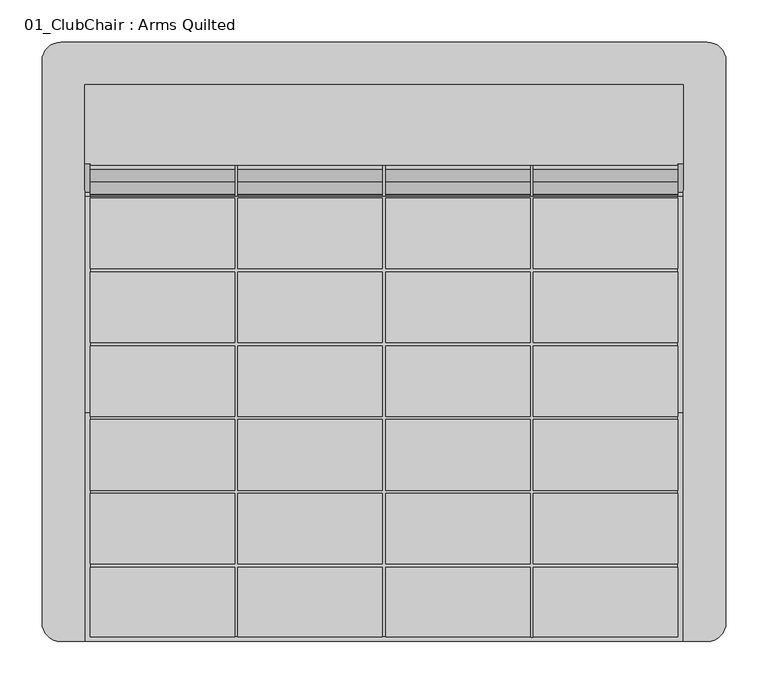
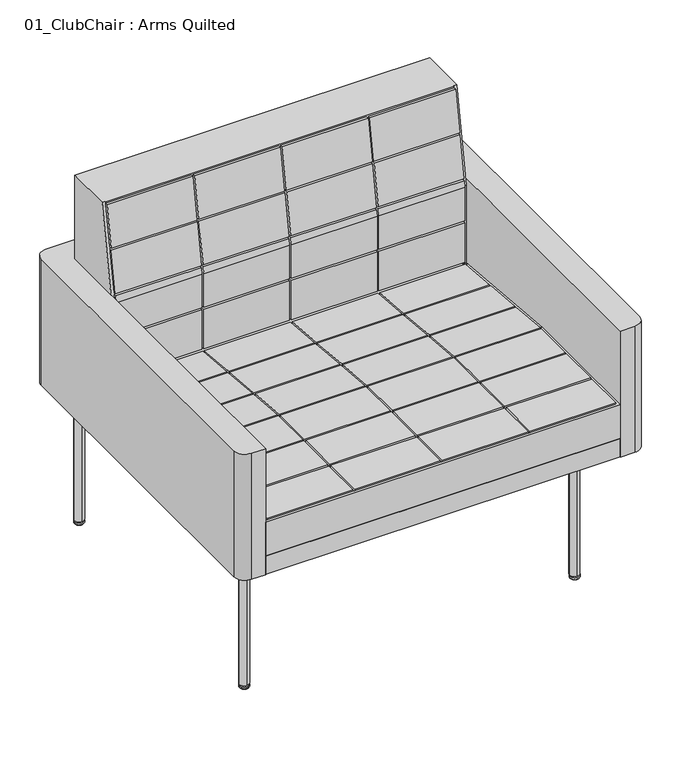
"""IFC4 building model written with IfcOpenShell, lengths in millimetres: furniture geometry, 01_ClubChair : Arms Quilted."""

from ifc_helpers import new_model, si_unit, point, frame, frame_2d, origin, place, context, project, spatial, polyline, circle_curve, ellipse_curve, trimmed, segment, composite_curve, outline, extrude, faceted_brep, source, transform, mapped, element, save
from ifc_brep_helpers import plane_surface, revolved_surface, advanced_brep


def furniture_01_clubchair_arms_quilted_b9940589(model_context):
    return source(origin(), model_context, "Body", "SolidModel", [
        faceted_brep([(354.8683301, 172.790312, 357.1875), (354.8683301, 305.047338, 357.1875), (354.8683301, 305.047338, 761.4646402), (354.8683301, 210.7940187, 761.4646402), (354.8683301, 177.552038, 569.5185218), (354.8683301, 177.552038, 405.4116807), (354.8683301, 172.790312, 405.8269736), (-354.8683301, 305.047338, 761.4646402), (-354.8683301, 305.047338, 357.1875), (-354.8683301, 172.790312, 357.1875), (-354.8683301, 172.790312, 405.8269736), (-354.8683301, 177.552038, 405.4116807), (-354.8683301, 177.552038, 569.5185218), (-354.8683301, 210.7940187, 761.4646402), (1.905, 172.790312, 570.0407405), (173.355, 172.790312, 570.0407405), (173.355, 174.941666, 582.9299879), (1.905, 174.941666, 582.9299879), (-348.615, 190.2039855, 674.3699879), (-177.165, 190.2039855, 674.3699879), (-177.165, 204.1944449, 758.1899879), (-348.615, 204.1944449, 758.1899879), (-1.905, 204.1944449, 758.1899879), (-173.355, 204.1944449, 758.1899879), (-173.355, 190.2039855, 674.3699879), (-1.905, 190.2039855, 674.3699879), (173.355, 204.1944449, 758.1899879), (1.905, 204.1944449, 758.1899879), (1.905, 190.2039855, 674.3699879), (173.355, 190.2039855, 674.3699879), (348.615, 204.1944449, 758.1899879), (177.165, 204.1944449, 758.1899879), (177.165, 190.2039855, 674.3699879), (348.615, 190.2039855, 674.3699879), (-348.615, 175.577596, 586.7399879), (-177.165, 175.577596, 586.7399879), (-177.165, 189.5680555, 670.5599879), (-348.615, 189.5680555, 670.5599879), (-1.905, 189.5680555, 670.5599879), (-173.355, 189.5680555, 670.5599879), (-173.355, 175.577596, 586.7399879), (-1.905, 175.577596, 586.7399879), (173.355, 189.5680555, 670.5599879), (1.905, 189.5680555, 670.5599879), (1.905, 175.577596, 586.7399879), (173.355, 175.577596, 586.7399879), (348.615, 189.5680555, 670.5599879), (177.165, 189.5680555, 670.5599879), (177.165, 175.577596, 586.7399879), (348.615, 175.577596, 586.7399879), (-177.165, 174.941666, 582.9299879), (-348.615, 174.941666, 582.9299879), (-348.615, 172.790312, 570.0407405), (-177.165, 172.790312, 570.0407405), (348.615, 174.941666, 582.9299879), (177.165, 174.941666, 582.9299879), (177.165, 172.790312, 570.0407405), (348.615, 172.790312, 570.0407405), (-173.355, 172.790312, 570.0407405), (-1.905, 172.790312, 570.0407405), (-1.905, 174.941666, 582.9299879), (-173.355, 174.941666, 582.9299879), (1.905, 172.790312, 499.1099879), (173.355, 172.790312, 499.1099879), (-173.355, 172.790312, 499.1099879), (-1.905, 172.790312, 499.1099879), (348.615, 172.790312, 405.8269736), (348.615, 172.790312, 404.5204), (-348.615, 172.790312, 404.5204), (-348.615, 172.790312, 405.8269736), (-348.615, 172.790312, 499.1099879), (-177.165, 172.790312, 499.1099879), (177.165, 172.790312, 499.1099879), (348.615, 172.790312, 499.1099879), (-348.615, 172.790312, 411.4799879), (-177.165, 172.790312, 411.4799879), (-177.165, 172.790312, 495.2999879), (-348.615, 172.790312, 495.2999879), (-1.905, 172.790312, 495.2999879), (-173.355, 172.790312, 495.2999879), (-173.355, 172.790312, 411.4799879), (-1.905, 172.790312, 411.4799879), (173.355, 172.790312, 495.2999879), (1.905, 172.790312, 495.2999879), (1.905, 172.790312, 411.4799879), (173.355, 172.790312, 411.4799879), (348.615, 172.790312, 495.2999879), (177.165, 172.790312, 495.2999879), (177.165, 172.790312, 411.4799879), (348.615, 172.790312, 411.4799879), (-348.615, 210.7940187, 761.4646402), (-348.615, 209.797338, 761.4646402), (348.615, 209.797338, 761.4646402), (348.615, 210.7940187, 761.4646402), (-177.165, 209.797338, 674.3699879), (-348.615, 209.797338, 674.3699879), (-348.615, 209.797338, 670.5599879), (-177.165, 209.797338, 670.5599879), (-177.165, 209.797338, 586.7399879), (-348.615, 209.797338, 586.7399879), (-348.615, 209.797338, 582.9299879), (-177.165, 209.797338, 582.9299879), (-177.165, 209.797338, 499.1099879), (-348.615, 209.797338, 499.1099879), (-348.615, 209.797338, 495.2999879), (-177.165, 209.797338, 495.2999879), (-177.165, 209.797338, 411.4799879), (-348.615, 209.797338, 411.4799879), (-348.615, 209.797338, 404.5204), (348.615, 209.797338, 404.5204), (348.615, 209.797338, 411.4799879), (177.165, 209.797338, 411.4799879), (177.165, 209.797338, 495.2999879), (348.615, 209.797338, 495.2999879), (348.615, 209.797338, 499.1099879), (177.165, 209.797338, 499.1099879), (177.165, 209.797338, 582.9299879), (348.615, 209.797338, 582.9299879), (348.615, 209.797338, 586.7399879), (177.165, 209.797338, 586.7399879), (177.165, 209.797338, 670.5599879), (348.615, 209.797338, 670.5599879), (348.615, 209.797338, 674.3699879), (177.165, 209.797338, 674.3699879), (177.165, 209.797338, 758.1899879), (348.615, 209.797338, 758.1899879), (-348.615, 209.797338, 758.1899879), (-177.165, 209.797338, 758.1899879), (-173.355, 209.797338, 758.1899879), (-1.905, 209.797338, 758.1899879), (-1.905, 209.797338, 674.3699879), (-173.355, 209.797338, 674.3699879), (-173.355, 209.797338, 670.5599879), (-1.905, 209.797338, 670.5599879), (-1.905, 209.797338, 586.7399879), (-173.355, 209.797338, 586.7399879), (1.905, 209.797338, 670.5599879), (173.355, 209.797338, 670.5599879), (173.355, 209.797338, 586.7399879), (1.905, 209.797338, 586.7399879), (-173.355, 209.797338, 582.9299879), (-1.905, 209.797338, 582.9299879), (-1.905, 209.797338, 499.1099879), (-173.355, 209.797338, 499.1099879), (1.905, 209.797338, 582.9299879), (173.355, 209.797338, 582.9299879), (173.355, 209.797338, 499.1099879), (1.905, 209.797338, 499.1099879), (-173.355, 209.797338, 495.2999879), (-1.905, 209.797338, 495.2999879), (-1.905, 209.797338, 411.4799879), (-173.355, 209.797338, 411.4799879), (1.905, 209.797338, 495.2999879), (173.355, 209.797338, 495.2999879), (173.355, 209.797338, 411.4799879), (1.905, 209.797338, 411.4799879), (1.905, 209.797338, 674.3699879), (1.905, 209.797338, 758.1899879), (173.355, 209.797338, 758.1899879), (173.355, 209.797338, 674.3699879), (-348.615, 195.7106256, 674.3699879), (348.615, 195.7106256, 674.3699879), (-348.615, 180.534519, 586.7399879), (-348.615, 179.8746882, 582.9299879), (-348.615, 195.0507949, 670.5599879), (348.615, 195.0507949, 670.5599879), (348.615, 179.8746882, 582.9299879), (348.615, 180.534519, 586.7399879), (-348.615, 177.552038, 499.1099879), (-348.615, 177.552038, 495.2999879), (348.615, 177.552038, 495.2999879), (348.615, 177.552038, 499.1099879), (-348.615, 177.552038, 411.4799879), (-348.615, 177.552038, 405.4116807), (348.615, 177.552038, 405.4116807), (348.615, 177.552038, 411.4799879), (-348.615, 177.552038, 569.5185218), (348.615, 177.552038, 569.5185218)], [[[0, 1, 2, 3, 4, 5, 6]], [[7, 8, 9, 10, 11, 12, 13]], [[14, 15, 16, 17]], [[18, 19, 20, 21]], [[22, 23, 24, 25]], [[26, 27, 28, 29]], [[30, 31, 32, 33]], [[34, 35, 36, 37]], [[38, 39, 40, 41]], [[42, 43, 44, 45]], [[46, 47, 48, 49]], [[50, 51, 52, 53]], [[54, 55, 56, 57]], [[58, 59, 60, 61]], [[15, 14, 62, 63]], [[59, 58, 64, 65]], [[9, 0, 6, 66, 67, 68, 69, 10]], [[70, 71, 53, 52]], [[72, 73, 57, 56]], [[74, 75, 76, 77]], [[78, 79, 80, 81]], [[82, 83, 84, 85]], [[86, 87, 88, 89]], [[1, 0, 9, 8]], [[2, 1, 8, 7]], [[2, 7, 13, 90, 91, 92, 93, 3]], [[94, 95, 96, 97, 98, 99, 100, 101, 102, 103, 104, 105, 106, 107, 108, 109, 110, 111, 112, 113, 114, 115, 116, 117, 118, 119, 120, 121, 122, 123, 124, 125, 92, 91, 126, 127], [128, 129, 130, 131], [132, 133, 134, 135], [136, 137, 138, 139], [140, 141, 142, 143], [144, 145, 146, 147], [148, 149, 150, 151], [152, 153, 154, 155], [156, 157, 158, 159]], [[95, 94, 19, 18, 160]], [[127, 126, 21, 20]], [[94, 127, 20, 19]], [[129, 128, 23, 22]], [[131, 130, 25, 24]], [[128, 131, 24, 23]], [[158, 157, 27, 26]], [[159, 158, 26, 29]], [[156, 159, 29, 28]], [[125, 124, 31, 30]], [[123, 122, 161, 33, 32]], [[124, 123, 32, 31]], [[99, 98, 35, 34, 162]], [[100, 99, 162, 163]], [[97, 96, 164, 37, 36]], [[98, 97, 36, 35]], [[133, 132, 39, 38]], [[134, 133, 38, 41]], [[135, 134, 41, 40]], [[132, 135, 40, 39]], [[137, 136, 43, 42]], [[138, 137, 42, 45]], [[139, 138, 45, 44]], [[136, 139, 44, 43]], [[121, 120, 47, 46, 165]], [[118, 117, 166, 167]], [[119, 118, 167, 49, 48]], [[120, 119, 48, 47]], [[103, 102, 71, 70, 168]], [[104, 103, 168, 169]], [[101, 100, 163, 51, 50]], [[102, 101, 50, 53, 71]], [[141, 140, 61, 60]], [[142, 141, 60, 59, 65]], [[143, 142, 65, 64]], [[140, 143, 64, 58, 61]], [[145, 144, 17, 16]], [[146, 145, 16, 15, 63]], [[147, 146, 63, 62]], [[144, 147, 62, 14, 17]], [[117, 116, 55, 54, 166]], [[114, 113, 170, 171]], [[115, 114, 171, 73, 72]], [[116, 115, 72, 56, 55]], [[107, 106, 75, 74, 172]], [[108, 107, 172, 173, 69, 68]], [[105, 104, 169, 77, 76]], [[106, 105, 76, 75]], [[149, 148, 79, 78]], [[150, 149, 78, 81]], [[151, 150, 81, 80]], [[148, 151, 80, 79]], [[153, 152, 83, 82]], [[154, 153, 82, 85]], [[155, 154, 85, 84]], [[152, 155, 84, 83]], [[113, 112, 87, 86, 170]], [[110, 109, 67, 66, 174, 175]], [[111, 110, 175, 89, 88]], [[112, 111, 88, 87]], [[109, 108, 68, 67]], [[96, 95, 160, 164]], [[122, 121, 165, 161]], [[130, 129, 22, 25]], [[157, 156, 28, 27]], [[176, 168, 70, 52, 51, 163]], [[169, 172, 74, 77]], [[164, 162, 34, 37]], [[90, 160, 18, 21, 126, 91]], [[162, 164, 160, 90, 13, 12, 176, 163]], [[173, 11, 10, 69]], [[168, 176, 12, 11, 173, 172, 169]], [[177, 166, 54, 57, 73, 171]], [[175, 170, 86, 89]], [[167, 165, 46, 49]], [[161, 93, 92, 125, 30, 33]], [[166, 177, 4, 3, 93, 161, 165, 167]], [[177, 171, 170, 175, 174, 5, 4]], [[5, 174, 66, 6]]]),
        faceted_brep([(354.8683301, -355.847338, 357.1875), (354.8683301, 172.790312, 357.1875), (354.8683301, 172.790312, 405.8269736), (354.8683301, -84.5466544, 428.2705643), (354.8683301, -355.847338, 428.2705643), (-354.8683301, 172.790312, 357.1875), (-354.8683301, -355.847338, 357.1875), (-354.8683301, -355.847338, 428.2705643), (-354.8683301, -84.5466544, 428.2705643), (-354.8683301, 172.790312, 405.8269736), (-348.615, 172.790312, 405.8269736), (-348.615, 172.790312, 395.5542), (348.615, 172.790312, 395.5542), (348.615, 172.790312, 405.8269736), (-177.165, 86.747662, 415.9469708), (-177.165, 170.567662, 408.6136794), (-348.615, 170.567662, 408.6136794), (-348.615, 86.747662, 415.9469708), (-177.165, -0.882338, 423.6135936), (-177.165, 82.937662, 416.2803022), (-348.615, 82.937662, 416.2803022), (-348.615, -0.882338, 423.6135936), (-1.905, 82.937662, 416.2803022), (-173.355, 82.937662, 416.2803022), (-173.355, -0.882338, 423.6135936), (-1.905, -0.882338, 423.6135936), (173.355, 82.937662, 416.2803022), (1.905, 82.937662, 416.2803022), (1.905, -0.882338, 423.6135936), (173.355, -0.882338, 423.6135936), (348.615, 82.937662, 416.2803022), (177.165, 82.937662, 416.2803022), (177.165, -0.882338, 423.6135936), (348.615, -0.882338, 423.6135936), (-177.165, -88.512338, 431.2802164), (-177.165, -4.692338, 423.946925), (-348.615, -4.692338, 423.946925), (-348.615, -88.512338, 431.2802164), (-1.905, -4.692338, 423.946925), (-173.355, -4.692338, 423.946925), (-173.355, -88.512338, 431.2802164), (-1.905, -88.512338, 431.2802164), (173.355, -4.692338, 423.946925), (1.905, -4.692338, 423.946925), (1.905, -88.512338, 431.2802164), (173.355, -88.512338, 431.2802164), (348.615, -4.692338, 423.946925), (177.165, -4.692338, 423.946925), (177.165, -88.512338, 431.2802164), (348.615, -88.512338, 431.2802164), (-1.905, 170.567662, 408.6136794), (-173.355, 170.567662, 408.6136794), (-173.355, 86.747662, 415.9469708), (-1.905, 86.747662, 415.9469708), (173.355, 170.567662, 408.6136794), (1.905, 170.567662, 408.6136794), (1.905, 86.747662, 415.9469708), (173.355, 86.747662, 415.9469708), (348.615, 170.567662, 408.6136794), (177.165, 170.567662, 408.6136794), (177.165, 86.747662, 415.9469708), (348.615, 86.747662, 415.9469708), (-177.165, -176.142338, 431.3641497), (-177.165, -92.322338, 431.3641497), (-348.615, -92.322338, 431.3641497), (-348.615, -176.142338, 431.3641497), (-1.905, -92.322338, 431.3641497), (-173.355, -92.322338, 431.3641497), (-173.355, -176.142338, 431.3641497), (-1.905, -176.142338, 431.3641497), (173.355, -92.322338, 431.3641497), (1.905, -92.322338, 431.3641497), (1.905, -176.142338, 431.3641497), (173.355, -176.142338, 431.3641497), (348.615, -92.322338, 431.3641497), (177.165, -92.322338, 431.3641497), (177.165, -176.142338, 431.3641497), (348.615, -176.142338, 431.3641497), (-177.165, -263.772338, 431.3641497), (-177.165, -179.952338, 431.3641497), (-348.615, -179.952338, 431.3641497), (-348.615, -263.772338, 431.3641497), (-1.905, -179.952338, 431.3641497), (-173.355, -179.952338, 431.3641497), (-173.355, -263.772338, 431.3641497), (-1.905, -263.772338, 431.3641497), (173.355, -179.952338, 431.3641497), (1.905, -179.952338, 431.3641497), (1.905, -263.772338, 431.3641497), (173.355, -263.772338, 431.3641497), (348.615, -179.952338, 431.3641497), (177.165, -179.952338, 431.3641497), (177.165, -263.772338, 431.3641497), (348.615, -263.772338, 431.3641497), (-177.165, -350.449838, 431.3641497), (-177.165, -267.582338, 431.3641497), (-348.615, -267.582338, 431.3641497), (-348.615, -350.449838, 431.3641497), (-1.905, -267.582338, 431.3641497), (-173.355, -267.582338, 431.3641497), (-173.355, -350.449838, 431.3641497), (-1.905, -350.449838, 431.3641497), (173.355, -267.582338, 431.3641497), (1.905, -267.582338, 431.3641497), (1.905, -350.449838, 431.3641497), (173.355, -350.449838, 431.3641497), (348.615, -267.582338, 431.3641497), (177.165, -267.582338, 431.3641497), (177.165, -350.449838, 431.3641497), (348.615, -350.449838, 431.3641497), (-177.165, 170.567662, 395.5542), (-177.165, 86.747662, 395.5542), (-348.615, 86.747662, 395.5542), (-348.615, 82.937662, 395.5542), (-177.165, 82.937662, 395.5542), (-177.165, -0.882338, 395.5542), (-348.615, -0.882338, 395.5542), (-348.615, -4.692338, 395.5542), (-177.165, -4.692338, 395.5542), (-177.165, -88.512338, 395.5542), (-348.615, -88.512338, 395.5542), (-348.615, -92.322338, 395.5542), (-177.165, -92.322338, 395.5542), (-177.165, -176.142338, 395.5542), (-348.615, -176.142338, 395.5542), (-348.615, -179.952338, 395.5542), (-177.165, -179.952338, 395.5542), (-177.165, -263.772338, 395.5542), (-348.615, -263.772338, 395.5542), (-348.615, -267.582338, 395.5542), (-177.165, -267.582338, 395.5542), (-177.165, -350.449838, 395.5542), (-173.355, -350.449838, 395.5542), (-173.355, -267.582338, 395.5542), (-1.905, -267.582338, 395.5542), (-1.905, -350.449838, 395.5542), (1.905, -350.449838, 395.5542), (1.905, -267.582338, 395.5542), (173.355, -267.582338, 395.5542), (173.355, -351.402338, 395.5542), (177.165, -351.402338, 395.5542), (177.165, -267.582338, 395.5542), (348.615, -267.582338, 395.5542), (348.615, -263.772338, 395.5542), (177.165, -263.772338, 395.5542), (177.165, -179.952338, 395.5542), (348.615, -179.952338, 395.5542), (348.615, -176.142338, 395.5542), (177.165, -176.142338, 395.5542), (177.165, -92.322338, 395.5542), (348.615, -92.322338, 395.5542), (348.615, -88.512338, 395.5542), (177.165, -88.512338, 395.5542), (177.165, -4.692338, 395.5542), (348.615, -4.692338, 395.5542), (348.615, -0.882338, 395.5542), (177.165, -0.882338, 395.5542), (177.165, 82.937662, 395.5542), (348.615, 82.937662, 395.5542), (348.615, 86.747662, 395.5542), (177.165, 86.747662, 395.5542), (177.165, 170.567662, 395.5542), (348.615, 170.567662, 395.5542), (-348.615, 170.567662, 395.5542), (-173.355, 170.567662, 395.5542), (-1.905, 170.567662, 395.5542), (-1.905, 86.747662, 395.5542), (-173.355, 86.747662, 395.5542), (1.905, 170.567662, 395.5542), (173.355, 170.567662, 395.5542), (173.355, 86.747662, 395.5542), (1.905, 86.747662, 395.5542), (-173.355, 82.937662, 395.5542), (-1.905, 82.937662, 395.5542), (-1.905, -0.882338, 395.5542), (-173.355, -0.882338, 395.5542), (1.905, 82.937662, 395.5542), (173.355, 82.937662, 395.5542), (173.355, -0.882338, 395.5542), (1.905, -0.882338, 395.5542), (-173.355, -4.692338, 395.5542), (-1.905, -4.692338, 395.5542), (-1.905, -88.512338, 395.5542), (-173.355, -88.512338, 395.5542), (1.905, -4.692338, 395.5542), (173.355, -4.692338, 395.5542), (173.355, -88.512338, 395.5542), (1.905, -88.512338, 395.5542), (-173.355, -92.322338, 395.5542), (-1.905, -92.322338, 395.5542), (-1.905, -176.142338, 395.5542), (-173.355, -176.142338, 395.5542), (1.905, -92.322338, 395.5542), (173.355, -92.322338, 395.5542), (173.355, -176.142338, 395.5542), (1.905, -176.142338, 395.5542), (-173.355, -179.952338, 395.5542), (-1.905, -179.952338, 395.5542), (-1.905, -263.772338, 395.5542), (-173.355, -263.772338, 395.5542), (1.905, -179.952338, 395.5542), (173.355, -179.952338, 395.5542), (173.355, -263.772338, 395.5542), (1.905, -263.772338, 395.5542), (-348.615, 86.747662, 413.3311657), (-348.615, 82.937662, 413.663454), (-348.615, 170.567662, 406.0208216), (348.615, 170.567662, 406.0208216), (348.615, 86.747662, 413.3311657), (-348.615, -0.882338, 420.9737981), (-348.615, -4.692338, 421.3060865), (348.615, 82.937662, 413.663454), (348.615, -0.882338, 420.9737981), (-348.615, -88.512338, 428.2705643), (-348.615, -92.322338, 428.2705643), (348.615, -4.692338, 421.3060865), (348.615, -88.512338, 428.2705643), (-348.615, -176.142338, 428.2705643), (-348.615, -179.952338, 428.2705643), (348.615, -92.322338, 428.2705643), (348.615, -176.142338, 428.2705643), (-348.615, -263.772338, 428.2705643), (-348.615, -267.582338, 428.2705643), (348.615, -179.952338, 428.2705643), (348.615, -263.772338, 428.2705643), (-177.165, -350.449838, 428.2705643), (-173.355, -350.449838, 428.2705643), (-1.905, -350.449838, 428.2705643), (1.905, -350.449838, 428.2705643), (173.355, -350.449838, 428.2705643), (173.355, -351.402338, 428.2705643), (177.165, -351.402338, 428.2705643), (348.615, -267.582338, 428.2705643), (177.165, -350.449838, 428.2705643), (-348.615, -350.449838, 428.2705643), (-348.615, -84.5466544, 428.2705643), (348.615, -84.5466544, 428.2705643), (348.615, -350.449838, 428.2705643)], [[[0, 1, 2, 3, 4]], [[5, 6, 7, 8, 9]], [[6, 0, 4, 7]], [[1, 0, 6, 5]], [[1, 5, 9, 10, 11, 12, 13, 2]], [[14, 15, 16, 17]], [[18, 19, 20, 21]], [[22, 23, 24, 25]], [[26, 27, 28, 29]], [[30, 31, 32, 33]], [[34, 35, 36, 37]], [[38, 39, 40, 41]], [[42, 43, 44, 45]], [[46, 47, 48, 49]], [[50, 51, 52, 53]], [[54, 55, 56, 57]], [[58, 59, 60, 61]], [[62, 63, 64, 65]], [[66, 67, 68, 69]], [[70, 71, 72, 73]], [[74, 75, 76, 77]], [[78, 79, 80, 81]], [[82, 83, 84, 85]], [[86, 87, 88, 89]], [[90, 91, 92, 93]], [[94, 95, 96, 97]], [[98, 99, 100, 101]], [[102, 103, 104, 105]], [[106, 107, 108, 109]], [[110, 111, 112, 113, 114, 115, 116, 117, 118, 119, 120, 121, 122, 123, 124, 125, 126, 127, 128, 129, 130, 131, 132, 133, 134, 135, 136, 137, 138, 139, 140, 141, 142, 143, 144, 145, 146, 147, 148, 149, 150, 151, 152, 153, 154, 155, 156, 157, 158, 159, 160, 161, 162, 12, 11, 163], [164, 165, 166, 167], [168, 169, 170, 171], [172, 173, 174, 175], [176, 177, 178, 179], [180, 181, 182, 183], [184, 185, 186, 187], [188, 189, 190, 191], [192, 193, 194, 195], [196, 197, 198, 199], [200, 201, 202, 203]], [[111, 110, 15, 14]], [[112, 111, 14, 17, 204]], [[113, 112, 204, 205]], [[110, 163, 206, 16, 15]], [[165, 164, 51, 50]], [[166, 165, 50, 53]], [[167, 166, 53, 52]], [[164, 167, 52, 51]], [[169, 168, 55, 54]], [[170, 169, 54, 57]], [[171, 170, 57, 56]], [[168, 171, 56, 55]], [[162, 161, 59, 58, 207]], [[160, 159, 208, 61, 60]], [[161, 160, 60, 59]], [[115, 114, 19, 18]], [[116, 115, 18, 21, 209]], [[117, 116, 209, 210]], [[114, 113, 205, 20, 19]], [[173, 172, 23, 22]], [[174, 173, 22, 25]], [[175, 174, 25, 24]], [[172, 175, 24, 23]], [[177, 176, 27, 26]], [[178, 177, 26, 29]], [[179, 178, 29, 28]], [[176, 179, 28, 27]], [[158, 157, 31, 30, 211]], [[156, 155, 212, 33, 32]], [[157, 156, 32, 31]], [[119, 118, 35, 34]], [[120, 119, 34, 37, 213]], [[121, 120, 213, 214]], [[118, 117, 210, 36, 35]], [[181, 180, 39, 38]], [[182, 181, 38, 41]], [[183, 182, 41, 40]], [[180, 183, 40, 39]], [[185, 184, 43, 42]], [[186, 185, 42, 45]], [[187, 186, 45, 44]], [[184, 187, 44, 43]], [[154, 153, 47, 46, 215]], [[152, 151, 216, 49, 48]], [[153, 152, 48, 47]], [[123, 122, 63, 62]], [[124, 123, 62, 65, 217]], [[125, 124, 217, 218]], [[122, 121, 214, 64, 63]], [[189, 188, 67, 66]], [[190, 189, 66, 69]], [[191, 190, 69, 68]], [[188, 191, 68, 67]], [[193, 192, 71, 70]], [[194, 193, 70, 73]], [[195, 194, 73, 72]], [[192, 195, 72, 71]], [[150, 149, 75, 74, 219]], [[148, 147, 220, 77, 76]], [[149, 148, 76, 75]], [[127, 126, 79, 78]], [[128, 127, 78, 81, 221]], [[129, 128, 221, 222]], [[126, 125, 218, 80, 79]], [[197, 196, 83, 82]], [[198, 197, 82, 85]], [[199, 198, 85, 84]], [[196, 199, 84, 83]], [[201, 200, 87, 86]], [[202, 201, 86, 89]], [[203, 202, 89, 88]], [[200, 203, 88, 87]], [[146, 145, 91, 90, 223]], [[144, 143, 224, 93, 92]], [[145, 144, 92, 91]], [[131, 130, 95, 94, 225]], [[132, 131, 225, 226]], [[130, 129, 222, 96, 95]], [[134, 133, 99, 98]], [[135, 134, 98, 101, 227]], [[136, 135, 227, 228]], [[133, 132, 226, 100, 99]], [[138, 137, 103, 102]], [[139, 138, 102, 105, 229, 230]], [[140, 139, 230, 231]], [[137, 136, 228, 104, 103]], [[142, 141, 107, 106, 232]], [[141, 140, 231, 233, 108, 107]], [[163, 11, 10, 206]], [[143, 142, 232, 224]], [[147, 146, 223, 220]], [[151, 150, 219, 216]], [[155, 154, 215, 212]], [[159, 158, 211, 208]], [[96, 222, 234, 97]], [[235, 213, 37, 36, 210]], [[206, 204, 17, 16]], [[205, 209, 21, 20]], [[214, 217, 65, 64]], [[218, 221, 81, 80]], [[213, 235, 8, 7, 4, 3, 236, 216, 219, 220, 223, 224, 232, 237, 233, 231, 230, 229, 228, 227, 226, 225, 234, 222, 221, 218, 217, 214]], [[204, 206, 10, 9, 8, 235, 210, 209, 205]], [[232, 106, 109, 237]], [[216, 236, 215, 46, 49]], [[220, 219, 74, 77]], [[224, 223, 90, 93]], [[212, 211, 30, 33]], [[208, 207, 58, 61]], [[215, 236, 3, 2, 13, 207, 208, 211, 212]], [[233, 237, 109, 108]], [[228, 229, 105, 104]], [[226, 227, 101, 100]], [[234, 225, 94, 97]], [[12, 162, 207, 13]]]),
        advanced_brep(
        [(-326.9326911, -239.6951247, 0.0), (-334.4990571, -239.6951247, 0.0), (-330.7158741, -239.6951247, 0.0), (-321.1908741, -239.6951247, 3.1750001), (-340.2408741, -239.6951247, 3.1750001), (-321.0604279, -239.6951247, 6.4931848), (-340.3713203, -239.6951247, 6.4931848), (-326.5659995, -239.6951247, 9.5049434), (-334.8657488, -239.6951247, 9.5049434), (-330.7158741, -239.6951247, 9.5049435)],
        [
            (0, 1, circle_curve(frame((-330.7158741, -239.6951247, 0.0), z_axis=(0.0, 0.0, -1.0), x_axis=(-1.0, 0.0, 0.0)), 3.783183)),
            (1, 2),
            (2, 0),
            (1, 0, circle_curve(frame((-330.7158741, -239.6951247, 0.0), z_axis=(0.0, 0.0, -1.0), x_axis=(-1.0, 0.0, 0.0)), 3.783183)),
            (3, 4, circle_curve(frame((-330.7158741, -239.6951247, 3.1750001), z_axis=(0.0, 0.0, -1.0), x_axis=(-1.0, 0.0, 0.0)), 9.525)),
            (4, 1, circle_curve(frame((-334.4990571, -239.6951247, 6.7793838), z_axis=(0.0, -1.0, 0.0), x_axis=(-1.0, 0.0, 0.0)), 6.7793838)),
            (0, 3, circle_curve(frame((-326.9326911, -239.6951247, 6.7793838), z_axis=(0.0, -1.0, 0.0), x_axis=(1.0, 0.0, 0.0)), 6.7793838)),
            (4, 3, circle_curve(frame((-330.7158741, -239.6951247, 3.1750001), z_axis=(0.0, 0.0, -1.0), x_axis=(-1.0, 0.0, 0.0)), 9.525)),
            (5, 6, circle_curve(frame((-330.7158741, -239.6951247, 6.4931848), z_axis=(0.0, 0.0, -1.0), x_axis=(-1.0, 0.0, 0.0)), 9.6554462)),
            (6, 4),
            (3, 5),
            (6, 5, circle_curve(frame((-330.7158741, -239.6951247, 6.4931848), z_axis=(0.0, 0.0, -1.0), x_axis=(-1.0, 0.0, 0.0)), 9.6554462)),
            (7, 8, circle_curve(frame((-330.7158741, -239.6951247, 9.5049434), z_axis=(0.0, 0.0, -1.0), x_axis=(-1.0, 0.0, 0.0)), 4.1498747)),
            (8, 6, circle_curve(frame((-334.8657488, -239.6951247, 2.9669016), z_axis=(0.0, -1.0, 0.0), x_axis=(-1.0, 0.0, 0.0)), 6.5380418)),
            (5, 7, circle_curve(frame((-326.5659995, -239.6951247, 2.9669016), z_axis=(0.0, -1.0, 0.0), x_axis=(1.0, 0.0, 0.0)), 6.5380418)),
            (8, 7, circle_curve(frame((-330.7158741, -239.6951247, 9.5049434), z_axis=(0.0, 0.0, -1.0), x_axis=(-1.0, 0.0, 0.0)), 4.1498747)),
            (9, 8),
            (7, 9),
        ],
        [
            plane_surface(frame((-330.7158741, -239.6951247, 0.0), z_axis=(0.0, 0.0, -1.0), x_axis=(-1.0, 0.0, 0.0))),
            revolved_surface(trimmed(ellipse_curve(frame((-334.4990571, -239.6951247, 6.7793838), z_axis=(0.0, 1.0, 0.0), x_axis=(-1.0, 0.0, 0.0)), 6.7793838, 6.7793838), [point((-334.4990571, -239.6951247, 0.0))], [point((-340.2408741, -239.6951247, 3.1750001))], True, "CARTESIAN"), (-330.7158741, -239.6951247, 2.4865786), (0.0, 0.0, 1.0)),
            revolved_surface(polyline([(-340.2408741, -239.6951247, 3.1750001), (-340.3713203, -239.6951247, 6.4931848)]), (-330.7158741, -239.6951247, 2.4865786), (0.0, 0.0, 1.0)),
            revolved_surface(trimmed(ellipse_curve(frame((-334.8657488, -239.6951247, 2.9669016), z_axis=(0.0, 1.0, 0.0), x_axis=(-1.0, 0.0, 0.0)), 6.5380418, 6.5380418), [point((-340.3713203, -239.6951247, 6.4931848))], [point((-334.8657488, -239.6951247, 9.5049434))], True, "CARTESIAN"), (-330.7158741, -239.6951247, 2.4865786), (0.0, 0.0, 1.0)),
            plane_surface(frame((-330.7158741, -239.6951247, 9.5049435), z_axis=(0.0, 0.0, 1.0), x_axis=(-1.0, 0.0, 0.0))),
        ],
        [
            (0, [[1, 2, 3]]),
            (0, [[4, -3, -2]]),
            (1, [[5, 6, -1, 7]]),
            (1, [[8, -7, -4, -6]]),
            (2, [[9, 10, -5, 11]]),
            (2, [[12, -11, -8, -10]]),
            (3, [[13, 14, -9, 15]]),
            (3, [[16, -15, -12, -14]]),
            (4, [[17, -13, 18]]),
            (4, [[-18, -16, -17]]),
        ],
    ),
        advanced_brep(
        [(-330.7158741, 332.5700088, 0.0), (-334.4990571, 332.5700088, 0.0), (-326.9326911, 332.5700088, 0.0), (-340.2408741, 332.5700088, 3.1750001), (-321.1908741, 332.5700088, 3.1750001), (-340.3713203, 332.5700088, 6.4931848), (-321.0604279, 332.5700088, 6.4931848), (-334.8657488, 332.5700088, 9.5049435), (-326.5659995, 332.5700088, 9.5049435), (-330.7158741, 332.5700088, 9.5049435)],
        [
            (0, 1),
            (1, 2, circle_curve(frame((-330.7158741, 332.5700088, 0.0), z_axis=(0.0, 0.0, -1.0), x_axis=(-1.0, 0.0, 0.0)), 3.783183)),
            (2, 0),
            (2, 1, circle_curve(frame((-330.7158741, 332.5700088, 0.0), z_axis=(0.0, 0.0, -1.0), x_axis=(-1.0, 0.0, 0.0)), 3.783183)),
            (1, 3, circle_curve(frame((-334.4990571, 332.5700088, 6.7793838), z_axis=(0.0, 1.0, 0.0), x_axis=(-1.0, 0.0, 0.0)), 6.7793838)),
            (3, 4, circle_curve(frame((-330.7158741, 332.5700088, 3.1750001), z_axis=(0.0, 0.0, -1.0), x_axis=(-1.0, 0.0, 0.0)), 9.525)),
            (4, 2, circle_curve(frame((-326.9326911, 332.5700088, 6.7793838), z_axis=(0.0, 1.0, 0.0), x_axis=(1.0, 0.0, 0.0)), 6.7793838)),
            (4, 3, circle_curve(frame((-330.7158741, 332.5700088, 3.1750001), z_axis=(0.0, 0.0, -1.0), x_axis=(-1.0, 0.0, 0.0)), 9.525)),
            (3, 5),
            (5, 6, circle_curve(frame((-330.7158741, 332.5700088, 6.4931848), z_axis=(0.0, 0.0, -1.0), x_axis=(-1.0, 0.0, 0.0)), 9.6554462)),
            (6, 4),
            (6, 5, circle_curve(frame((-330.7158741, 332.5700088, 6.4931848), z_axis=(0.0, 0.0, -1.0), x_axis=(-1.0, 0.0, 0.0)), 9.6554462)),
            (5, 7, circle_curve(frame((-334.8657488, 332.5700088, 2.9669016), z_axis=(0.0, 1.0, 0.0), x_axis=(-1.0, 0.0, 0.0)), 6.5380418)),
            (7, 8, circle_curve(frame((-330.7158741, 332.5700088, 9.5049435), z_axis=(0.0, 0.0, -1.0), x_axis=(-1.0, 0.0, 0.0)), 4.1498747)),
            (8, 6, circle_curve(frame((-326.5659995, 332.5700088, 2.9669016), z_axis=(0.0, 1.0, 0.0), x_axis=(1.0, 0.0, 0.0)), 6.5380418)),
            (8, 7, circle_curve(frame((-330.7158741, 332.5700088, 9.5049435), z_axis=(0.0, 0.0, -1.0), x_axis=(-1.0, 0.0, 0.0)), 4.1498747)),
            (7, 9),
            (9, 8),
        ],
        [
            plane_surface(frame((-330.7158741, 332.5700088, 0.0), z_axis=(0.0, 0.0, -1.0), x_axis=(-1.0, 0.0, 0.0))),
            revolved_surface(trimmed(ellipse_curve(frame((-334.4990571, 332.5700088, 6.7793838), z_axis=(0.0, -1.0, 0.0), x_axis=(-1.0, 0.0, 0.0)), 6.7793838, 6.7793838), [point((-340.2408741, 332.5700088, 3.1750001))], [point((-334.4990571, 332.5700088, 0.0))], True, "CARTESIAN"), (-330.7158741, 332.5700088, 2.4865786), (0.0, 0.0, -1.0)),
            revolved_surface(polyline([(-340.3713203, 332.5700088, 6.4931848), (-340.2408741, 332.5700088, 3.1750001)]), (-330.7158741, 332.5700088, 2.4865786), (0.0, 0.0, -1.0)),
            revolved_surface(trimmed(ellipse_curve(frame((-334.8657488, 332.5700088, 2.9669016), z_axis=(0.0, -1.0, 0.0), x_axis=(-1.0, 0.0, 0.0)), 6.5380418, 6.5380418), [point((-334.8657488, 332.5700088, 9.5049435))], [point((-340.3713203, 332.5700088, 6.4931848))], True, "CARTESIAN"), (-330.7158741, 332.5700088, 2.4865786), (0.0, 0.0, -1.0)),
            plane_surface(frame((-330.7158741, 332.5700088, 9.5049435), z_axis=(0.0, 0.0, 1.0), x_axis=(-1.0, 0.0, 0.0))),
        ],
        [
            (0, [[1, 2, 3]]),
            (0, [[-3, 4, -1]]),
            (1, [[-2, 5, 6, 7]]),
            (1, [[-4, -7, 8, -5]]),
            (2, [[-6, 9, 10, 11]]),
            (2, [[-8, -11, 12, -9]]),
            (3, [[-10, 13, 14, 15]]),
            (3, [[-12, -15, 16, -13]]),
            (4, [[-14, 17, 18]]),
            (4, [[-16, -18, -17]]),
        ],
    ),
        extrude(outline(composite_curve([segment(trimmed(circle_curve(frame_2d((-383.6973301, 333.876338)), 21.971), [point((-405.6683301, 333.876338))], [point((-383.6973301, 355.847338))], False, "CARTESIAN"), True, "CONTINUOUS"), segment(polyline([(-383.6973301, 355.847338), (383.6973301, 355.847338)]), True, "CONTINUOUS"), segment(trimmed(circle_curve(frame_2d((383.6973301, 333.876338)), 21.971), [point((383.6973301, 355.847338))], [point((405.6683301, 333.876338))], False, "CARTESIAN"), True, "CONTINUOUS"), segment(polyline([(405.6683301, 333.876338), (405.6683301, -333.880734)]), True, "CONTINUOUS"), segment(trimmed(circle_curve(frame_2d((383.7017262, -333.880734)), 21.966604), [point((405.6683301, -333.880734))], [point((383.7017262, -355.847338))], False, "CARTESIAN"), True, "CONTINUOUS"), segment(polyline([(383.7017262, -355.847338), (354.8683301, -355.847338), (354.8683301, 305.047338), (-354.8683301, 305.047338), (-354.8683301, -355.847338), (-383.6973301, -355.847338)]), True, "CONTINUOUS"), segment(trimmed(circle_curve(frame_2d((-383.6973301, -333.876338)), 21.971), [point((-383.6973301, -355.847338))], [point((-405.6683301, -333.876338))], False, "CARTESIAN"), True, "CONTINUOUS"), segment(polyline([(-405.6683301, -333.876338), (-405.6683301, 333.876338)]), True, "CONTINUOUS")], self_intersect=False)), frame((0.0, 0.0, 317.4993339), z_axis=(0.0, 0.0, 1.0), x_axis=(1.0, 0.0, 0.0)), (0.0, 0.0, 1.0), 266.700654),
        extrude(outline(composite_curve([segment(trimmed(circle_curve(frame_2d((-330.5455732, 332.8903279)), 9.525), [point((-340.0705732, 332.8903279))], [point((-330.5455732, 342.4153279))], False, "CARTESIAN"), True, "CONTINUOUS"), segment(trimmed(circle_curve(frame_2d((-330.5455732, 332.8903279)), 9.525), [point((-330.5455732, 342.4153279))], [point((-321.0205732, 332.8903279))], False, "CARTESIAN"), True, "CONTINUOUS"), segment(trimmed(circle_curve(frame_2d((-330.5455732, 332.8903279)), 9.525), [point((-321.0205732, 332.8903279))], [point((-330.5455732, 323.3653279))], False, "CARTESIAN"), True, "CONTINUOUS"), segment(trimmed(circle_curve(frame_2d((-330.5455732, 332.8903279)), 9.525), [point((-330.5455732, 323.3653279))], [point((-340.0705732, 332.8903279))], False, "CARTESIAN"), True, "CONTINUOUS")], self_intersect=False)), frame((0.0, 0.0, 9.525), z_axis=(0.0, 0.0, 1.0), x_axis=(1.0, 0.0, 0.0)), (0.0, 0.0, 1.0), 269.8750061),
        extrude(outline(composite_curve([segment(trimmed(circle_curve(frame_2d((-330.4468312, -238.7745677)), 9.525), [point((-339.9718312, -238.7745677))], [point((-330.4468312, -229.2495677))], False, "CARTESIAN"), True, "CONTINUOUS"), segment(trimmed(circle_curve(frame_2d((-330.4468312, -238.7745677)), 9.525), [point((-330.4468312, -229.2495677))], [point((-320.9218312, -238.7745677))], False, "CARTESIAN"), True, "CONTINUOUS"), segment(trimmed(circle_curve(frame_2d((-330.4468312, -238.7745677)), 9.525), [point((-320.9218312, -238.7745677))], [point((-330.4468312, -248.2995677))], False, "CARTESIAN"), True, "CONTINUOUS"), segment(trimmed(circle_curve(frame_2d((-330.4468312, -238.7745677)), 9.525), [point((-330.4468312, -248.2995677))], [point((-339.9718312, -238.7745677))], False, "CARTESIAN"), True, "CONTINUOUS")], self_intersect=False)), frame((0.0, 0.0, 9.525), z_axis=(0.0, 0.0, 1.0), x_axis=(1.0, 0.0, 0.0)), (0.0, 0.0, 1.0), 269.8750061),
        advanced_brep(
        [(-326.4581339, -238.459695, 0.0), (-334.0244998, -238.459695, 0.0), (-330.2413168, -238.459695, 0.0), (-320.7163168, -238.459695, 3.1750001), (-339.7663168, -238.459695, 3.1750001), (-320.5858706, -238.459695, 6.4931848), (-339.896763, -238.459695, 6.4931848), (-326.0914422, -238.459695, 9.5049435), (-334.3911915, -238.459695, 9.5049435), (-330.2413168, -238.459695, 9.5049435)],
        [
            (0, 1, circle_curve(frame((-330.2413168, -238.459695, 0.0), z_axis=(0.0, 0.0, -1.0), x_axis=(-1.0, 0.0, 0.0)), 3.783183)),
            (1, 2),
            (2, 0),
            (1, 0, circle_curve(frame((-330.2413168, -238.459695, 0.0), z_axis=(0.0, 0.0, -1.0), x_axis=(-1.0, 0.0, 0.0)), 3.783183)),
            (3, 4, circle_curve(frame((-330.2413168, -238.459695, 3.1750001), z_axis=(0.0, 0.0, -1.0), x_axis=(-1.0, 0.0, 0.0)), 9.525)),
            (4, 1, circle_curve(frame((-334.0244998, -238.459695, 6.7793838), z_axis=(0.0, -1.0, 0.0), x_axis=(-1.0, 0.0, 0.0)), 6.7793838)),
            (0, 3, circle_curve(frame((-326.4581339, -238.459695, 6.7793838), z_axis=(0.0, -1.0, 0.0), x_axis=(1.0, 0.0, 0.0)), 6.7793838)),
            (4, 3, circle_curve(frame((-330.2413168, -238.459695, 3.1750001), z_axis=(0.0, 0.0, -1.0), x_axis=(-1.0, 0.0, 0.0)), 9.525)),
            (5, 6, circle_curve(frame((-330.2413168, -238.459695, 6.4931848), z_axis=(0.0, 0.0, -1.0), x_axis=(-1.0, 0.0, 0.0)), 9.6554462)),
            (6, 4),
            (3, 5),
            (6, 5, circle_curve(frame((-330.2413168, -238.459695, 6.4931848), z_axis=(0.0, 0.0, -1.0), x_axis=(-1.0, 0.0, 0.0)), 9.6554462)),
            (7, 8, circle_curve(frame((-330.2413168, -238.459695, 9.5049435), z_axis=(0.0, 0.0, -1.0), x_axis=(-1.0, 0.0, 0.0)), 4.1498747)),
            (8, 6, circle_curve(frame((-334.3911915, -238.459695, 2.9669016), z_axis=(0.0, -1.0, 0.0), x_axis=(-1.0, 0.0, 0.0)), 6.5380418)),
            (5, 7, circle_curve(frame((-326.0914422, -238.459695, 2.9669016), z_axis=(0.0, -1.0, 0.0), x_axis=(1.0, 0.0, 0.0)), 6.5380418)),
            (8, 7, circle_curve(frame((-330.2413168, -238.459695, 9.5049435), z_axis=(0.0, 0.0, -1.0), x_axis=(-1.0, 0.0, 0.0)), 4.1498747)),
            (9, 8),
            (7, 9),
        ],
        [
            plane_surface(frame((-330.2413168, -238.459695, 0.0), z_axis=(0.0, 0.0, -1.0), x_axis=(-1.0, 0.0, 0.0))),
            revolved_surface(trimmed(ellipse_curve(frame((-334.0244998, -238.459695, 6.7793838), z_axis=(0.0, 1.0, 0.0), x_axis=(-1.0, 0.0, 0.0)), 6.7793838, 6.7793838), [point((-334.0244998, -238.459695, 0.0))], [point((-339.7663168, -238.459695, 3.1750001))], True, "CARTESIAN"), (-330.2413168, -238.459695, 2.4865786), (0.0, 0.0, 1.0)),
            revolved_surface(polyline([(-339.7663168, -238.459695, 3.1750001), (-339.896763, -238.459695, 6.4931848)]), (-330.2413168, -238.459695, 2.4865786), (0.0, 0.0, 1.0)),
            revolved_surface(trimmed(ellipse_curve(frame((-334.3911915, -238.459695, 2.9669016), z_axis=(0.0, 1.0, 0.0), x_axis=(-1.0, 0.0, 0.0)), 6.5380418, 6.5380418), [point((-339.896763, -238.459695, 6.4931848))], [point((-334.3911915, -238.459695, 9.5049435))], True, "CARTESIAN"), (-330.2413168, -238.459695, 2.4865786), (0.0, 0.0, 1.0)),
            plane_surface(frame((-330.2413168, -238.459695, 9.5049435), z_axis=(0.0, 0.0, 1.0), x_axis=(-1.0, 0.0, 0.0))),
        ],
        [
            (0, [[1, 2, 3]]),
            (0, [[4, -3, -2]]),
            (1, [[5, 6, -1, 7]]),
            (1, [[8, -7, -4, -6]]),
            (2, [[9, 10, -5, 11]]),
            (2, [[12, -11, -8, -10]]),
            (3, [[13, 14, -9, 15]]),
            (3, [[16, -15, -12, -14]]),
            (4, [[17, -13, 18]]),
            (4, [[-18, -16, -17]]),
        ],
    ),
        advanced_brep(
        [(-330.549346, 332.7425888, 0.0), (-334.332529, 332.7425888, 0.0), (-326.7661631, 332.7425888, 0.0), (-340.074346, 332.7425888, 3.1750001), (-321.024346, 332.7425888, 3.1750001), (-340.2047922, 332.7425888, 6.4931848), (-320.8938998, 332.7425888, 6.4931848), (-334.6992207, 332.7425888, 9.5049434), (-326.3994714, 332.7425888, 9.5049434), (-330.549346, 332.7425888, 9.5049435)],
        [
            (0, 1),
            (1, 2, circle_curve(frame((-330.549346, 332.7425888, 0.0), z_axis=(0.0, 0.0, -1.0), x_axis=(-1.0, 0.0, 0.0)), 3.783183)),
            (2, 0),
            (2, 1, circle_curve(frame((-330.549346, 332.7425888, 0.0), z_axis=(0.0, 0.0, -1.0), x_axis=(-1.0, 0.0, 0.0)), 3.783183)),
            (1, 3, circle_curve(frame((-334.332529, 332.7425888, 6.7793838), z_axis=(0.0, 1.0, 0.0), x_axis=(-1.0, 0.0, 0.0)), 6.7793838)),
            (3, 4, circle_curve(frame((-330.549346, 332.7425888, 3.1750001), z_axis=(0.0, 0.0, -1.0), x_axis=(-1.0, 0.0, 0.0)), 9.525)),
            (4, 2, circle_curve(frame((-326.7661631, 332.7425888, 6.7793838), z_axis=(0.0, 1.0, 0.0), x_axis=(1.0, 0.0, 0.0)), 6.7793838)),
            (4, 3, circle_curve(frame((-330.549346, 332.7425888, 3.1750001), z_axis=(0.0, 0.0, -1.0), x_axis=(-1.0, 0.0, 0.0)), 9.525)),
            (3, 5),
            (5, 6, circle_curve(frame((-330.549346, 332.7425888, 6.4931848), z_axis=(0.0, 0.0, -1.0), x_axis=(-1.0, 0.0, 0.0)), 9.6554462)),
            (6, 4),
            (6, 5, circle_curve(frame((-330.549346, 332.7425888, 6.4931848), z_axis=(0.0, 0.0, -1.0), x_axis=(-1.0, 0.0, 0.0)), 9.6554462)),
            (5, 7, circle_curve(frame((-334.6992207, 332.7425888, 2.9669016), z_axis=(0.0, 1.0, 0.0), x_axis=(-1.0, 0.0, 0.0)), 6.5380418)),
            (7, 8, circle_curve(frame((-330.549346, 332.7425888, 9.5049434), z_axis=(0.0, 0.0, -1.0), x_axis=(-1.0, 0.0, 0.0)), 4.1498747)),
            (8, 6, circle_curve(frame((-326.3994714, 332.7425888, 2.9669016), z_axis=(0.0, 1.0, 0.0), x_axis=(1.0, 0.0, 0.0)), 6.5380418)),
            (8, 7, circle_curve(frame((-330.549346, 332.7425888, 9.5049434), z_axis=(0.0, 0.0, -1.0), x_axis=(-1.0, 0.0, 0.0)), 4.1498747)),
            (7, 9),
            (9, 8),
        ],
        [
            plane_surface(frame((-330.549346, 332.7425888, 0.0), z_axis=(0.0, 0.0, -1.0), x_axis=(-1.0, 0.0, 0.0))),
            revolved_surface(trimmed(ellipse_curve(frame((-334.332529, 332.7425888, 6.7793838), z_axis=(0.0, -1.0, 0.0), x_axis=(-1.0, 0.0, 0.0)), 6.7793838, 6.7793838), [point((-340.074346, 332.7425888, 3.1750001))], [point((-334.332529, 332.7425888, 0.0))], True, "CARTESIAN"), (-330.549346, 332.7425888, 2.4865786), (0.0, 0.0, -1.0)),
            revolved_surface(polyline([(-340.2047922, 332.7425888, 6.4931848), (-340.074346, 332.7425888, 3.1750001)]), (-330.549346, 332.7425888, 2.4865786), (0.0, 0.0, -1.0)),
            revolved_surface(trimmed(ellipse_curve(frame((-334.6992207, 332.7425888, 2.9669016), z_axis=(0.0, -1.0, 0.0), x_axis=(-1.0, 0.0, 0.0)), 6.5380418, 6.5380418), [point((-334.6992207, 332.7425888, 9.5049434))], [point((-340.2047922, 332.7425888, 6.4931848))], True, "CARTESIAN"), (-330.549346, 332.7425888, 2.4865786), (0.0, 0.0, -1.0)),
            plane_surface(frame((-330.549346, 332.7425888, 9.5049435), z_axis=(0.0, 0.0, 1.0), x_axis=(-1.0, 0.0, 0.0))),
        ],
        [
            (0, [[1, 2, 3]]),
            (0, [[-3, 4, -1]]),
            (1, [[-2, 5, 6, 7]]),
            (1, [[-4, -7, 8, -5]]),
            (2, [[-6, 9, 10, 11]]),
            (2, [[-8, -11, 12, -9]]),
            (3, [[-10, 13, 14, 15]]),
            (3, [[-12, -15, 16, -13]]),
            (4, [[-14, 17, 18]]),
            (4, [[-16, -18, -17]]),
        ],
    ),
        advanced_brep(
        [(330.7158741, -239.6951247, 0.0), (334.4990571, -239.6951247, 0.0), (326.9326911, -239.6951247, 0.0), (340.2408741, -239.6951247, 3.1750001), (321.1908741, -239.6951247, 3.1750001), (340.3713203, -239.6951247, 6.4931848), (321.0604279, -239.6951247, 6.4931848), (334.8657488, -239.6951247, 9.5049434), (326.5659995, -239.6951247, 9.5049434), (330.7158741, -239.6951247, 9.5049435)],
        [
            (0, 1),
            (1, 2, circle_curve(frame((330.7158741, -239.6951247, 0.0), z_axis=(0.0, 0.0, -1.0), x_axis=(1.0, 0.0, 0.0)), 3.783183)),
            (2, 0),
            (2, 1, circle_curve(frame((330.7158741, -239.6951247, 0.0), z_axis=(0.0, 0.0, -1.0), x_axis=(1.0, 0.0, 0.0)), 3.783183)),
            (1, 3, circle_curve(frame((334.4990571, -239.6951247, 6.7793838), z_axis=(0.0, -1.0, 0.0), x_axis=(1.0, 0.0, 0.0)), 6.7793838)),
            (3, 4, circle_curve(frame((330.7158741, -239.6951247, 3.1750001), z_axis=(0.0, 0.0, -1.0), x_axis=(1.0, 0.0, 0.0)), 9.525)),
            (4, 2, circle_curve(frame((326.9326911, -239.6951247, 6.7793838), z_axis=(0.0, -1.0, 0.0), x_axis=(-1.0, 0.0, 0.0)), 6.7793838)),
            (4, 3, circle_curve(frame((330.7158741, -239.6951247, 3.1750001), z_axis=(0.0, 0.0, -1.0), x_axis=(1.0, 0.0, 0.0)), 9.525)),
            (3, 5),
            (5, 6, circle_curve(frame((330.7158741, -239.6951247, 6.4931848), z_axis=(0.0, 0.0, -1.0), x_axis=(1.0, 0.0, 0.0)), 9.6554462)),
            (6, 4),
            (6, 5, circle_curve(frame((330.7158741, -239.6951247, 6.4931848), z_axis=(0.0, 0.0, -1.0), x_axis=(1.0, 0.0, 0.0)), 9.6554462)),
            (5, 7, circle_curve(frame((334.8657488, -239.6951247, 2.9669016), z_axis=(0.0, -1.0, 0.0), x_axis=(1.0, 0.0, 0.0)), 6.5380418)),
            (7, 8, circle_curve(frame((330.7158741, -239.6951247, 9.5049434), z_axis=(0.0, 0.0, -1.0), x_axis=(1.0, 0.0, 0.0)), 4.1498747)),
            (8, 6, circle_curve(frame((326.5659995, -239.6951247, 2.9669016), z_axis=(0.0, -1.0, 0.0), x_axis=(-1.0, 0.0, 0.0)), 6.5380418)),
            (8, 7, circle_curve(frame((330.7158741, -239.6951247, 9.5049434), z_axis=(0.0, 0.0, -1.0), x_axis=(1.0, 0.0, 0.0)), 4.1498747)),
            (7, 9),
            (9, 8),
        ],
        [
            plane_surface(frame((330.7158741, -239.6951247, 0.0), z_axis=(0.0, 0.0, -1.0), x_axis=(1.0, 0.0, 0.0))),
            revolved_surface(trimmed(ellipse_curve(frame((334.4990571, -239.6951247, 6.7793838), z_axis=(0.0, 1.0, 0.0), x_axis=(1.0, 0.0, 0.0)), 6.7793838, 6.7793838), [point((340.2408741, -239.6951247, 3.1750001))], [point((334.4990571, -239.6951247, 0.0))], True, "CARTESIAN"), (330.7158741, -239.6951247, 2.4865786), (0.0, 0.0, -1.0)),
            revolved_surface(polyline([(340.3713203, -239.6951247, 6.4931848), (340.2408741, -239.6951247, 3.1750001)]), (330.7158741, -239.6951247, 2.4865786), (0.0, 0.0, -1.0)),
            revolved_surface(trimmed(ellipse_curve(frame((334.8657488, -239.6951247, 2.9669016), z_axis=(0.0, 1.0, 0.0), x_axis=(1.0, 0.0, 0.0)), 6.5380418, 6.5380418), [point((334.8657488, -239.6951247, 9.5049434))], [point((340.3713203, -239.6951247, 6.4931848))], True, "CARTESIAN"), (330.7158741, -239.6951247, 2.4865786), (0.0, 0.0, -1.0)),
            plane_surface(frame((330.7158741, -239.6951247, 9.5049435), z_axis=(0.0, 0.0, 1.0), x_axis=(1.0, 0.0, 0.0))),
        ],
        [
            (0, [[1, 2, 3]]),
            (0, [[-3, 4, -1]]),
            (1, [[-2, 5, 6, 7]]),
            (1, [[-4, -7, 8, -5]]),
            (2, [[-6, 9, 10, 11]]),
            (2, [[-8, -11, 12, -9]]),
            (3, [[-10, 13, 14, 15]]),
            (3, [[-12, -15, 16, -13]]),
            (4, [[-14, 17, 18]]),
            (4, [[-16, -18, -17]]),
        ],
    ),
        advanced_brep(
        [(326.9326911, 332.5700088, 0.0), (334.4990571, 332.5700088, 0.0), (330.7158741, 332.5700088, 0.0), (321.1908741, 332.5700088, 3.1750001), (340.2408741, 332.5700088, 3.1750001), (321.0604279, 332.5700088, 6.4931848), (340.3713203, 332.5700088, 6.4931848), (326.5659995, 332.5700088, 9.5049435), (334.8657488, 332.5700088, 9.5049435), (330.7158741, 332.5700088, 9.5049435)],
        [
            (0, 1, circle_curve(frame((330.7158741, 332.5700088, 0.0), z_axis=(0.0, 0.0, -1.0), x_axis=(1.0, 0.0, 0.0)), 3.783183)),
            (1, 2),
            (2, 0),
            (1, 0, circle_curve(frame((330.7158741, 332.5700088, 0.0), z_axis=(0.0, 0.0, -1.0), x_axis=(1.0, 0.0, 0.0)), 3.783183)),
            (3, 4, circle_curve(frame((330.7158741, 332.5700088, 3.1750001), z_axis=(0.0, 0.0, -1.0), x_axis=(1.0, 0.0, 0.0)), 9.525)),
            (4, 1, circle_curve(frame((334.4990571, 332.5700088, 6.7793838), z_axis=(0.0, 1.0, 0.0), x_axis=(1.0, 0.0, 0.0)), 6.7793838)),
            (0, 3, circle_curve(frame((326.9326911, 332.5700088, 6.7793838), z_axis=(0.0, 1.0, 0.0), x_axis=(-1.0, 0.0, 0.0)), 6.7793838)),
            (4, 3, circle_curve(frame((330.7158741, 332.5700088, 3.1750001), z_axis=(0.0, 0.0, -1.0), x_axis=(1.0, 0.0, 0.0)), 9.525)),
            (5, 6, circle_curve(frame((330.7158741, 332.5700088, 6.4931848), z_axis=(0.0, 0.0, -1.0), x_axis=(1.0, 0.0, 0.0)), 9.6554462)),
            (6, 4),
            (3, 5),
            (6, 5, circle_curve(frame((330.7158741, 332.5700088, 6.4931848), z_axis=(0.0, 0.0, -1.0), x_axis=(1.0, 0.0, 0.0)), 9.6554462)),
            (7, 8, circle_curve(frame((330.7158741, 332.5700088, 9.5049435), z_axis=(0.0, 0.0, -1.0), x_axis=(1.0, 0.0, 0.0)), 4.1498747)),
            (8, 6, circle_curve(frame((334.8657488, 332.5700088, 2.9669016), z_axis=(0.0, 1.0, 0.0), x_axis=(1.0, 0.0, 0.0)), 6.5380418)),
            (5, 7, circle_curve(frame((326.5659995, 332.5700088, 2.9669016), z_axis=(0.0, 1.0, 0.0), x_axis=(-1.0, 0.0, 0.0)), 6.5380418)),
            (8, 7, circle_curve(frame((330.7158741, 332.5700088, 9.5049435), z_axis=(0.0, 0.0, -1.0), x_axis=(1.0, 0.0, 0.0)), 4.1498747)),
            (9, 8),
            (7, 9),
        ],
        [
            plane_surface(frame((330.7158741, 332.5700088, 0.0), z_axis=(0.0, 0.0, -1.0), x_axis=(1.0, 0.0, 0.0))),
            revolved_surface(trimmed(ellipse_curve(frame((334.4990571, 332.5700088, 6.7793838), z_axis=(0.0, -1.0, 0.0), x_axis=(1.0, 0.0, 0.0)), 6.7793838, 6.7793838), [point((334.4990571, 332.5700088, 0.0))], [point((340.2408741, 332.5700088, 3.1750001))], True, "CARTESIAN"), (330.7158741, 332.5700088, 2.4865786), (0.0, 0.0, 1.0)),
            revolved_surface(polyline([(340.2408741, 332.5700088, 3.1750001), (340.3713203, 332.5700088, 6.4931848)]), (330.7158741, 332.5700088, 2.4865786), (0.0, 0.0, 1.0)),
            revolved_surface(trimmed(ellipse_curve(frame((334.8657488, 332.5700088, 2.9669016), z_axis=(0.0, -1.0, 0.0), x_axis=(1.0, 0.0, 0.0)), 6.5380418, 6.5380418), [point((340.3713203, 332.5700088, 6.4931848))], [point((334.8657488, 332.5700088, 9.5049435))], True, "CARTESIAN"), (330.7158741, 332.5700088, 2.4865786), (0.0, 0.0, 1.0)),
            plane_surface(frame((330.7158741, 332.5700088, 9.5049435), z_axis=(0.0, 0.0, 1.0), x_axis=(1.0, 0.0, 0.0))),
        ],
        [
            (0, [[1, 2, 3]]),
            (0, [[4, -3, -2]]),
            (1, [[5, 6, -1, 7]]),
            (1, [[8, -7, -4, -6]]),
            (2, [[9, 10, -5, 11]]),
            (2, [[12, -11, -8, -10]]),
            (3, [[13, 14, -9, 15]]),
            (3, [[16, -15, -12, -14]]),
            (4, [[17, -13, 18]]),
            (4, [[-18, -16, -17]]),
        ],
    ),
        extrude(outline(composite_curve([segment(trimmed(circle_curve(frame_2d((330.5455732, 332.8903279)), 9.525), [point((340.0705732, 332.8903279))], [point((330.5455732, 323.3653279))], False, "CARTESIAN"), True, "CONTINUOUS"), segment(trimmed(circle_curve(frame_2d((330.5455732, 332.8903279)), 9.525), [point((330.5455732, 323.3653279))], [point((321.0205732, 332.8903279))], False, "CARTESIAN"), True, "CONTINUOUS"), segment(trimmed(circle_curve(frame_2d((330.5455732, 332.8903279)), 9.525), [point((321.0205732, 332.8903279))], [point((330.5455732, 342.4153279))], False, "CARTESIAN"), True, "CONTINUOUS"), segment(trimmed(circle_curve(frame_2d((330.5455732, 332.8903279)), 9.525), [point((330.5455732, 342.4153279))], [point((340.0705732, 332.8903279))], False, "CARTESIAN"), True, "CONTINUOUS")], self_intersect=False)), frame((0.0, 0.0, 9.525), z_axis=(0.0, 0.0, 1.0), x_axis=(1.0, 0.0, 0.0)), (0.0, 0.0, 1.0), 269.8750061),
        extrude(outline(composite_curve([segment(trimmed(circle_curve(frame_2d((330.4468312, -238.7745677)), 9.525), [point((339.9718312, -238.7745677))], [point((330.4468312, -248.2995677))], False, "CARTESIAN"), True, "CONTINUOUS"), segment(trimmed(circle_curve(frame_2d((330.4468312, -238.7745677)), 9.525), [point((330.4468312, -248.2995677))], [point((320.9218312, -238.7745677))], False, "CARTESIAN"), True, "CONTINUOUS"), segment(trimmed(circle_curve(frame_2d((330.4468312, -238.7745677)), 9.525), [point((320.9218312, -238.7745677))], [point((330.4468312, -229.2495677))], False, "CARTESIAN"), True, "CONTINUOUS"), segment(trimmed(circle_curve(frame_2d((330.4468312, -238.7745677)), 9.525), [point((330.4468312, -229.2495677))], [point((339.9718312, -238.7745677))], False, "CARTESIAN"), True, "CONTINUOUS")], self_intersect=False)), frame((0.0, 0.0, 9.525), z_axis=(0.0, 0.0, 1.0), x_axis=(1.0, 0.0, 0.0)), (0.0, 0.0, 1.0), 269.8750061),
        extrude(outline(polyline([(339.6198064, 342.5689221), (339.6198064, -248.3227239), (-339.6198064, -248.3227239), (-339.6198064, 342.5689221), (339.6198064, 342.5689221)]), holes=[polyline([(320.5698064, 323.5189221), (-320.5698064, 323.5189221), (-320.5698064, -229.2727239), (320.5698064, -229.2727239), (320.5698064, 323.5189221)])]), frame((0.0, 0.0, 279.4000061), z_axis=(0.0, 0.0, 1.0), x_axis=(1.0, 0.0, 0.0)), (0.0, 0.0, 1.0), 38.0999818),
        extrude(outline(polyline([(-354.8683301, 305.047338), (354.8683301, 305.047338), (354.8683301, -355.847338), (-354.8683301, -355.847338), (-354.8683301, 305.047338)])), frame((0.0, 0.0, 318.7699879), z_axis=(0.0, 0.0, 1.0), x_axis=(1.0, 0.0, 0.0)), (0.0, 0.0, 1.0), 37.1475121),
    ])


if __name__ == "__main__":
    model = new_model("IFC4")
    model_context = context("Model", 3, world=origin())
    ifc_project = project(units=[si_unit("LENGTHUNIT", "METRE", prefix="MILLI")], contexts=[model_context])
    site = spatial("IfcSite", under=ifc_project)
    building = spatial("IfcBuilding", under=site)
    placement = place(None, origin())
    furniture_01_clubchair_arms_quilted_shape = furniture_01_clubchair_arms_quilted_b9940589(model_context)
    element("IfcFurniture", 1, ObjectType="01_ClubChair : Arms Quilted", at=placement, inside=building, context=model_context, shape_type="MappedRepresentation", body=[
        mapped(furniture_01_clubchair_arms_quilted_shape, transform((0.0, 0.0, 0.0), x_axis=(1.0, 0.0, 0.0), y_axis=(0.0, 1.0, 0.0), z_axis=(0.0, 0.0, 1.0))),
    ])
    save(model, "model.ifc")
